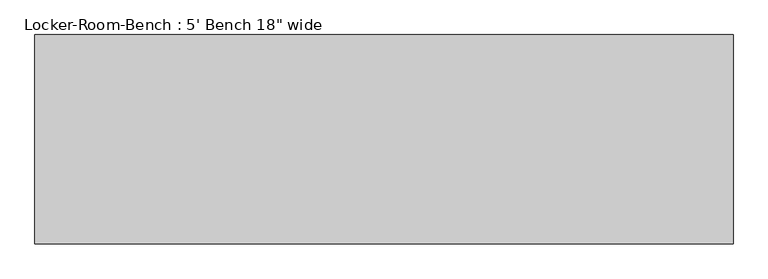
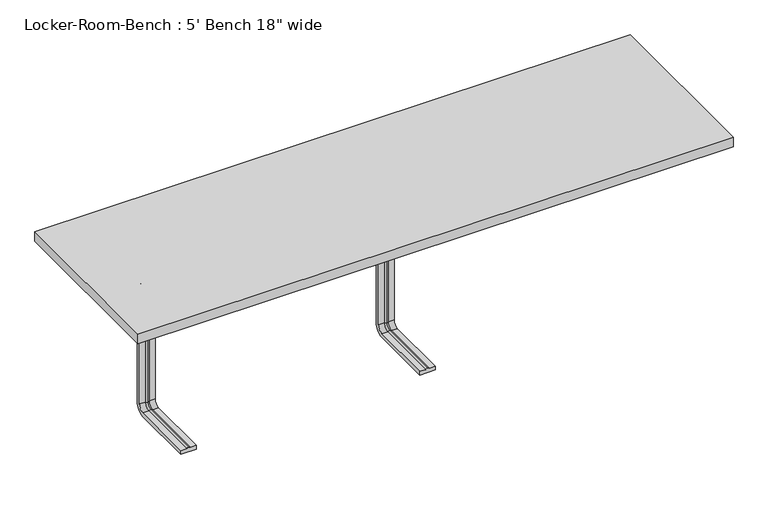
"""IFC4 building model written with IfcOpenShell, lengths in millimetres: proxy geometry."""

from ifc_helpers import new_model, si_unit, point, frame, origin, place, context, project, spatial, polyline, circle_curve, ellipse_curve, trimmed, outline, extrude, source, transform, mapped, element, save
from ifc_brep_helpers import plane_surface, cylinder_surface, revolved_surface, advanced_brep


def proxy_bfa0247f(model_context):
    return source(origin(), model_context, "Body", "SolidModel", [
        advanced_brep(
        [(-592.0, -193.6, 381.4), (-632.0, -193.6, 381.4), (-632.0, -193.6, 371.4), (-617.0, -193.6, 371.4), (-612.0, -193.6, 369.0684617), (-607.0, -193.6, 371.4), (-592.0, -193.6, 371.4), (-592.0, -25.0, 381.4), (-632.0, -25.0, 381.4), (-632.0, 0.0, 356.4), (-632.0, 0.0, 40.0), (-632.0, -25.0, 15.0), (-632.0, -193.6, 15.0), (-632.0, -193.6, 25.0), (-632.0, -25.0, 25.0), (-632.0, -10.0, 40.0), (-632.0, -10.0, 356.4), (-632.0, -25.0, 371.4), (-617.0, -25.0, 371.4), (-612.0, -25.0, 369.0684617), (-607.0, -25.0, 371.4), (-592.0, -25.0, 371.4), (-592.0, -10.0, 356.4), (-592.0, -10.0, 40.0), (-592.0, -25.0, 25.0), (-592.0, -193.6, 25.0), (-592.0, -193.6, 15.0), (-592.0, -25.0, 15.0), (-592.0, 0.0, 40.0), (-592.0, 0.0, 356.4), (-617.0, -10.0, 356.4), (-612.0, -12.3315383, 356.4), (-607.0, -10.0, 356.4), (-617.0, -10.0, 40.0), (-612.0, -12.3315383, 40.0), (-607.0, -10.0, 40.0), (-617.0, -25.0, 25.0), (-612.0, -25.0, 27.3315383), (-607.0, -25.0, 25.0), (-607.0, -193.6, 25.0), (-612.0, -193.6, 27.3315383), (-617.0, -193.6, 25.0)],
        [
            (0, 1),
            (1, 2),
            (2, 3),
            (3, 4, circle_curve(frame((-612.2996409, -193.6, 374.9529162), z_axis=(0.0, -1.0, 0.0), x_axis=(0.0, 0.0, 1.0)), 5.8920785)),
            (4, 5, circle_curve(frame((-611.7003591, -193.6, 374.9529162), z_axis=(0.0, -1.0, 0.0), x_axis=(0.0, 0.0, 1.0)), 5.8920785)),
            (5, 6),
            (6, 0),
            (0, 7),
            (7, 8),
            (8, 1),
            (8, 9, circle_curve(frame((-632.0, -25.0, 356.4), z_axis=(-1.0, 0.0, 0.0), x_axis=(0.0, 0.0, 1.0)), 25.0)),
            (9, 10),
            (10, 11, circle_curve(frame((-632.0, -25.0, 40.0), z_axis=(-1.0, 0.0, 0.0), x_axis=(0.0, 1.0, 0.0)), 25.0)),
            (11, 12),
            (12, 13),
            (13, 14),
            (14, 15, circle_curve(frame((-632.0, -25.0, 40.0), z_axis=(1.0, 0.0, 0.0), x_axis=(0.0, 1.0, 0.0)), 15.0)),
            (15, 16),
            (16, 17, circle_curve(frame((-632.0, -25.0, 356.4), z_axis=(1.0, 0.0, 0.0), x_axis=(0.0, 0.0, 1.0)), 15.0)),
            (17, 2),
            (17, 18),
            (18, 3),
            (18, 19, circle_curve(frame((-612.2996409, -25.0, 374.9529162), z_axis=(0.0, -1.0, 0.0), x_axis=(0.0, 0.0, 1.0)), 5.8920785)),
            (19, 4),
            (19, 20, circle_curve(frame((-611.7003591, -25.0, 374.9529162), z_axis=(0.0, -1.0, 0.0), x_axis=(0.0, 0.0, 1.0)), 5.8920785)),
            (20, 5),
            (20, 21),
            (21, 6),
            (21, 22, circle_curve(frame((-592.0, -25.0, 356.4), z_axis=(-1.0, 0.0, 0.0), x_axis=(0.0, 0.0, 1.0)), 15.0)),
            (22, 23),
            (23, 24, circle_curve(frame((-592.0, -25.0, 40.0), z_axis=(-1.0, 0.0, 0.0), x_axis=(0.0, 1.0, 0.0)), 15.0)),
            (24, 25),
            (25, 26),
            (26, 27),
            (27, 28, circle_curve(frame((-592.0, -25.0, 40.0), z_axis=(1.0, 0.0, 0.0), x_axis=(0.0, 1.0, 0.0)), 25.0)),
            (28, 29),
            (29, 7, circle_curve(frame((-592.0, -25.0, 356.4), z_axis=(1.0, 0.0, 0.0), x_axis=(0.0, 0.0, 1.0)), 25.0)),
            (29, 9),
            (30, 18, circle_curve(frame((-617.0, -25.0, 356.4), z_axis=(1.0, 0.0, 0.0), x_axis=(0.0, 0.0, 1.0)), 15.0)),
            (16, 30),
            (31, 19, circle_curve(frame((-612.0, -25.0, 356.4), z_axis=(1.0, 0.0, 0.0), x_axis=(0.0, 0.0, 1.0)), 12.6684617)),
            (30, 31, circle_curve(frame((-612.2996409, -6.4470838, 356.4), z_axis=(0.0, 0.0, 1.0), x_axis=(0.0, 1.0, 0.0)), 5.8920785)),
            (32, 20, circle_curve(frame((-607.0, -25.0, 356.4), z_axis=(1.0, 0.0, 0.0), x_axis=(0.0, 0.0, 1.0)), 15.0)),
            (31, 32, circle_curve(frame((-611.7003591, -6.4470838, 356.4), z_axis=(0.0, 0.0, 1.0), x_axis=(0.0, 1.0, 0.0)), 5.8920785)),
            (32, 22),
            (28, 10),
            (15, 33),
            (33, 30),
            (33, 34, circle_curve(frame((-612.2996409, -6.4470838, 40.0), z_axis=(0.0, 0.0, 1.0), x_axis=(0.0, 1.0, 0.0)), 5.8920785)),
            (34, 31),
            (34, 35, circle_curve(frame((-611.7003591, -6.4470838, 40.0), z_axis=(0.0, 0.0, 1.0), x_axis=(0.0, 1.0, 0.0)), 5.8920785)),
            (35, 32),
            (35, 23),
            (27, 11),
            (36, 33, circle_curve(frame((-617.0, -25.0, 40.0), z_axis=(1.0, 0.0, 0.0), x_axis=(0.0, 1.0, 0.0)), 15.0)),
            (14, 36),
            (37, 34, circle_curve(frame((-612.0, -25.0, 40.0), z_axis=(1.0, 0.0, 0.0), x_axis=(0.0, 1.0, 0.0)), 12.6684617)),
            (36, 37, circle_curve(frame((-612.2996409, -25.0, 21.4470838), z_axis=(0.0, 1.0, 0.0), x_axis=(0.0, 0.0, -1.0)), 5.8920785)),
            (38, 35, circle_curve(frame((-607.0, -25.0, 40.0), z_axis=(1.0, 0.0, 0.0), x_axis=(0.0, 1.0, 0.0)), 15.0)),
            (37, 38, circle_curve(frame((-611.7003591, -25.0, 21.4470838), z_axis=(0.0, 1.0, 0.0), x_axis=(0.0, 0.0, -1.0)), 5.8920785)),
            (38, 24),
            (25, 39),
            (39, 40, circle_curve(frame((-611.7003591, -193.6, 21.4470838), z_axis=(0.0, -1.0, 0.0), x_axis=(0.0, 0.0, -1.0)), 5.8920785)),
            (40, 41, circle_curve(frame((-612.2996409, -193.6, 21.4470838), z_axis=(0.0, -1.0, 0.0), x_axis=(0.0, 0.0, -1.0)), 5.8920785)),
            (41, 13),
            (12, 26),
            (41, 36),
            (40, 37),
            (39, 38),
        ],
        [
            plane_surface(frame((-612.0, -193.6, 381.4), z_axis=(0.0, -1.0, 0.0), x_axis=(1.0, 0.0, 0.0))),
            plane_surface(frame((-592.0, -193.6, 381.4), z_axis=(0.0, 0.0, 1.0), x_axis=(0.0, 1.0, 0.0))),
            plane_surface(frame((-632.0, -193.6, 381.4), z_axis=(-1.0, 0.0, 0.0), x_axis=(0.0, 1.0, 0.0))),
            plane_surface(frame((-632.0, -193.6, 371.4), z_axis=(0.0, 0.0, -1.0), x_axis=(0.0, 1.0, 0.0))),
            cylinder_surface(frame((-612.2996409, -193.6, 374.9529162), z_axis=(0.0, -1.0, 0.0), x_axis=(0.0, 0.0, 1.0)), 5.8920785),
            cylinder_surface(frame((-611.7003591, -193.6, 374.9529162), z_axis=(0.0, -1.0, 0.0), x_axis=(0.0, 0.0, 1.0)), 5.8920785),
            plane_surface(frame((-607.0, -193.6, 371.4), z_axis=(0.0, 0.0, -1.0), x_axis=(0.0, 1.0, 0.0))),
            plane_surface(frame((-592.0, -193.6, 371.4), z_axis=(1.0, 0.0, 0.0), x_axis=(0.0, 1.0, 0.0))),
            cylinder_surface(frame((-612.0, -25.0, 356.4), z_axis=(-1.0, 0.0, 0.0), x_axis=(0.0, 0.0, 1.0)), 25.0),
            revolved_surface(polyline([(-632.0, -25.0, 371.4), (-617.0, -25.0, 371.4)]), (-612.0, -25.0, 356.4), (-1.0, 0.0, 0.0)),
            revolved_surface(trimmed(ellipse_curve(frame((-612.2996409, -25.0, 374.9529162), z_axis=(0.0, -1.0, 0.0), x_axis=(0.0, 0.0, 1.0)), 5.8920785, 5.8920785), [point((-617.0, -25.0, 371.4))], [point((-612.0, -25.0, 369.0684617))], True, "CARTESIAN"), (-612.0, -25.0, 356.4), (-1.0, 0.0, 0.0)),
            revolved_surface(trimmed(ellipse_curve(frame((-611.7003591, -25.0, 374.9529162), z_axis=(0.0, -1.0, 0.0), x_axis=(0.0, 0.0, 1.0)), 5.8920785, 5.8920785), [point((-612.0, -25.0, 369.0684617))], [point((-607.0, -25.0, 371.4))], True, "CARTESIAN"), (-612.0, -25.0, 356.4), (-1.0, 0.0, 0.0)),
            revolved_surface(polyline([(-607.0, -25.0, 371.4), (-592.0, -25.0, 371.4)]), (-612.0, -25.0, 356.4), (-1.0, 0.0, 0.0)),
            plane_surface(frame((-592.0, 0.0, 356.4), z_axis=(0.0, 1.0, 0.0), x_axis=(0.0, 0.0, -1.0))),
            plane_surface(frame((-632.0, -10.0, 356.4), z_axis=(0.0, -1.0, 0.0), x_axis=(0.0, 0.0, -1.0))),
            cylinder_surface(frame((-612.2996409, -6.4470838, 356.4), z_axis=(0.0, 0.0, 1.0), x_axis=(0.0, 1.0, 0.0)), 5.8920785),
            cylinder_surface(frame((-611.7003591, -6.4470838, 356.4), z_axis=(0.0, 0.0, 1.0), x_axis=(0.0, 1.0, 0.0)), 5.8920785),
            plane_surface(frame((-607.0, -10.0, 356.4), z_axis=(0.0, -1.0, 0.0), x_axis=(0.0, 0.0, -1.0))),
            cylinder_surface(frame((-612.0, -25.0, 40.0), z_axis=(-1.0, 0.0, 0.0), x_axis=(0.0, 1.0, 0.0)), 25.0),
            revolved_surface(polyline([(-632.0, -10.0, 40.0), (-617.0, -10.0, 40.0)]), (-612.0, -25.0, 40.0), (-1.0, 0.0, 0.0)),
            revolved_surface(trimmed(ellipse_curve(frame((-612.2996409, -6.4470838, 40.0), z_axis=(0.0, 0.0, 1.0), x_axis=(0.0, 1.0, 0.0)), 5.8920785, 5.8920785), [point((-617.0, -10.0, 40.0))], [point((-612.0, -12.3315383, 40.0))], True, "CARTESIAN"), (-612.0, -25.0, 40.0), (-1.0, 0.0, 0.0)),
            revolved_surface(trimmed(ellipse_curve(frame((-611.7003591, -6.4470838, 40.0), z_axis=(0.0, 0.0, 1.0), x_axis=(0.0, 1.0, 0.0)), 5.8920785, 5.8920785), [point((-612.0, -12.3315383, 40.0))], [point((-607.0, -10.0, 40.0))], True, "CARTESIAN"), (-612.0, -25.0, 40.0), (-1.0, 0.0, 0.0)),
            revolved_surface(polyline([(-607.0, -10.0, 40.0), (-592.0, -10.0, 40.0)]), (-612.0, -25.0, 40.0), (-1.0, 0.0, 0.0)),
            plane_surface(frame((-612.0, -193.6, 15.0), z_axis=(0.0, -1.0, 0.0), x_axis=(1.0, 0.0, 0.0))),
            plane_surface(frame((-592.0, -25.0, 15.0), z_axis=(0.0, 0.0, -1.0), x_axis=(0.0, -1.0, 0.0))),
            plane_surface(frame((-632.0, -25.0, 25.0), z_axis=(0.0, 0.0, 1.0), x_axis=(0.0, -1.0, 0.0))),
            cylinder_surface(frame((-612.2996409, -25.0, 21.4470838), z_axis=(0.0, 1.0, 0.0), x_axis=(0.0, 0.0, -1.0)), 5.8920785),
            cylinder_surface(frame((-611.7003591, -25.0, 21.4470838), z_axis=(0.0, 1.0, 0.0), x_axis=(0.0, 0.0, -1.0)), 5.8920785),
            plane_surface(frame((-607.0, -25.0, 25.0), z_axis=(0.0, 0.0, 1.0), x_axis=(0.0, -1.0, 0.0))),
        ],
        [
            (0, [[1, 2, 3, 4, 5, 6, 7]]),
            (1, [[-1, 8, 9, 10]]),
            (2, [[-2, -10, 11, 12, 13, 14, 15, 16, 17, 18, 19, 20]]),
            (3, [[-3, -20, 21, 22]]),
            (4, [[-4, -22, 23, 24]]),
            (5, [[-5, -24, 25, 26]]),
            (6, [[-6, -26, 27, 28]]),
            (7, [[-7, -28, 29, 30, 31, 32, 33, 34, 35, 36, 37, -8]]),
            (8, [[-11, -9, -37, 38]]),
            (9, [[39, -21, -19, 40]]),
            (10, [[41, -23, -39, 42]]),
            (11, [[43, -25, -41, 44]]),
            (12, [[-29, -27, -43, 45]]),
            (13, [[-38, -36, 46, -12]]),
            (14, [[-40, -18, 47, 48]]),
            (15, [[-42, -48, 49, 50]]),
            (16, [[-44, -50, 51, 52]]),
            (17, [[-45, -52, 53, -30]]),
            (18, [[-13, -46, -35, 54]]),
            (19, [[55, -47, -17, 56]]),
            (20, [[57, -49, -55, 58]]),
            (21, [[59, -51, -57, 60]]),
            (22, [[-31, -53, -59, 61]]),
            (23, [[-33, 62, 63, 64, 65, -15, 66]]),
            (24, [[-54, -34, -66, -14]]),
            (25, [[-56, -16, -65, 67]]),
            (26, [[-58, -67, -64, 68]]),
            (27, [[-60, -68, -63, 69]]),
            (28, [[-61, -69, -62, -32]]),
        ],
    ),
        advanced_brep(
        [(20.0, -193.6, 381.4), (-20.0, -193.6, 381.4), (-20.0, -193.6, 371.4), (-5.0, -193.6, 371.4), (0.0, -193.6, 369.0684617), (5.0, -193.6, 371.4), (20.0, -193.6, 371.4), (20.0, -25.0, 381.4), (-20.0, -25.0, 381.4), (-20.0, 0.0, 356.4), (-20.0, 0.0, 40.0), (-20.0, -25.0, 15.0), (-20.0, -193.6, 15.0), (-20.0, -193.6, 25.0), (-20.0, -25.0, 25.0), (-20.0, -10.0, 40.0), (-20.0, -10.0, 356.4), (-20.0, -25.0, 371.4), (-5.0, -25.0, 371.4), (0.0, -25.0, 369.0684617), (5.0, -25.0, 371.4), (20.0, -25.0, 371.4), (20.0, -10.0, 356.4), (20.0, -10.0, 40.0), (20.0, -25.0, 25.0), (20.0, -193.6, 25.0), (20.0, -193.6, 15.0), (20.0, -25.0, 15.0), (20.0, 0.0, 40.0), (20.0, 0.0, 356.4), (-5.0, -10.0, 356.4), (0.0, -12.3315383, 356.4), (5.0, -10.0, 356.4), (-5.0, -10.0, 40.0), (0.0, -12.3315383, 40.0), (5.0, -10.0, 40.0), (-5.0, -25.0, 25.0), (0.0, -25.0, 27.3315383), (5.0, -25.0, 25.0), (5.0, -193.6, 25.0), (0.0, -193.6, 27.3315383), (-5.0, -193.6, 25.0)],
        [
            (0, 1),
            (1, 2),
            (2, 3),
            (3, 4, circle_curve(frame((-0.2996409, -193.6, 374.9529162), z_axis=(0.0, -1.0, 0.0), x_axis=(0.0, 0.0, 1.0)), 5.8920785)),
            (4, 5, circle_curve(frame((0.2996409, -193.6, 374.9529162), z_axis=(0.0, -1.0, 0.0), x_axis=(0.0, 0.0, 1.0)), 5.8920785)),
            (5, 6),
            (6, 0),
            (0, 7),
            (7, 8),
            (8, 1),
            (8, 9, circle_curve(frame((-20.0, -25.0, 356.4), z_axis=(-1.0, 0.0, 0.0), x_axis=(0.0, 0.0, 1.0)), 25.0)),
            (9, 10),
            (10, 11, circle_curve(frame((-20.0, -25.0, 40.0), z_axis=(-1.0, 0.0, 0.0), x_axis=(0.0, 1.0, 0.0)), 25.0)),
            (11, 12),
            (12, 13),
            (13, 14),
            (14, 15, circle_curve(frame((-20.0, -25.0, 40.0), z_axis=(1.0, 0.0, 0.0), x_axis=(0.0, 1.0, 0.0)), 15.0)),
            (15, 16),
            (16, 17, circle_curve(frame((-20.0, -25.0, 356.4), z_axis=(1.0, 0.0, 0.0), x_axis=(0.0, 0.0, 1.0)), 15.0)),
            (17, 2),
            (17, 18),
            (18, 3),
            (18, 19, circle_curve(frame((-0.2996409, -25.0, 374.9529162), z_axis=(0.0, -1.0, 0.0), x_axis=(0.0, 0.0, 1.0)), 5.8920785)),
            (19, 4),
            (19, 20, circle_curve(frame((0.2996409, -25.0, 374.9529162), z_axis=(0.0, -1.0, 0.0), x_axis=(0.0, 0.0, 1.0)), 5.8920785)),
            (20, 5),
            (20, 21),
            (21, 6),
            (21, 22, circle_curve(frame((20.0, -25.0, 356.4), z_axis=(-1.0, 0.0, 0.0), x_axis=(0.0, 0.0, 1.0)), 15.0)),
            (22, 23),
            (23, 24, circle_curve(frame((20.0, -25.0, 40.0), z_axis=(-1.0, 0.0, 0.0), x_axis=(0.0, 1.0, 0.0)), 15.0)),
            (24, 25),
            (25, 26),
            (26, 27),
            (27, 28, circle_curve(frame((20.0, -25.0, 40.0), z_axis=(1.0, 0.0, 0.0), x_axis=(0.0, 1.0, 0.0)), 25.0)),
            (28, 29),
            (29, 7, circle_curve(frame((20.0, -25.0, 356.4), z_axis=(1.0, 0.0, 0.0), x_axis=(0.0, 0.0, 1.0)), 25.0)),
            (29, 9),
            (30, 18, circle_curve(frame((-5.0, -25.0, 356.4), z_axis=(1.0, 0.0, 0.0), x_axis=(0.0, 0.0, 1.0)), 15.0)),
            (16, 30),
            (31, 19, circle_curve(frame((0.0, -25.0, 356.4), z_axis=(1.0, 0.0, 0.0), x_axis=(0.0, 0.0, 1.0)), 12.6684617)),
            (30, 31, circle_curve(frame((-0.2996409, -6.4470838, 356.4), z_axis=(0.0, 0.0, 1.0), x_axis=(0.0, 1.0, 0.0)), 5.8920785)),
            (32, 20, circle_curve(frame((5.0, -25.0, 356.4), z_axis=(1.0, 0.0, 0.0), x_axis=(0.0, 0.0, 1.0)), 15.0)),
            (31, 32, circle_curve(frame((0.2996409, -6.4470838, 356.4), z_axis=(0.0, 0.0, 1.0), x_axis=(0.0, 1.0, 0.0)), 5.8920785)),
            (32, 22),
            (28, 10),
            (15, 33),
            (33, 30),
            (33, 34, circle_curve(frame((-0.2996409, -6.4470838, 40.0), z_axis=(0.0, 0.0, 1.0), x_axis=(0.0, 1.0, 0.0)), 5.8920785)),
            (34, 31),
            (34, 35, circle_curve(frame((0.2996409, -6.4470838, 40.0), z_axis=(0.0, 0.0, 1.0), x_axis=(0.0, 1.0, 0.0)), 5.8920785)),
            (35, 32),
            (35, 23),
            (27, 11),
            (36, 33, circle_curve(frame((-5.0, -25.0, 40.0), z_axis=(1.0, 0.0, 0.0), x_axis=(0.0, 1.0, 0.0)), 15.0)),
            (14, 36),
            (37, 34, circle_curve(frame((0.0, -25.0, 40.0), z_axis=(1.0, 0.0, 0.0), x_axis=(0.0, 1.0, 0.0)), 12.6684617)),
            (36, 37, circle_curve(frame((-0.2996409, -25.0, 21.4470838), z_axis=(0.0, 1.0, 0.0), x_axis=(0.0, 0.0, -1.0)), 5.8920785)),
            (38, 35, circle_curve(frame((5.0, -25.0, 40.0), z_axis=(1.0, 0.0, 0.0), x_axis=(0.0, 1.0, 0.0)), 15.0)),
            (37, 38, circle_curve(frame((0.2996409, -25.0, 21.4470838), z_axis=(0.0, 1.0, 0.0), x_axis=(0.0, 0.0, -1.0)), 5.8920785)),
            (38, 24),
            (25, 39),
            (39, 40, circle_curve(frame((0.2996409, -193.6, 21.4470838), z_axis=(0.0, -1.0, 0.0), x_axis=(0.0, 0.0, -1.0)), 5.8920785)),
            (40, 41, circle_curve(frame((-0.2996409, -193.6, 21.4470838), z_axis=(0.0, -1.0, 0.0), x_axis=(0.0, 0.0, -1.0)), 5.8920785)),
            (41, 13),
            (12, 26),
            (41, 36),
            (40, 37),
            (39, 38),
        ],
        [
            plane_surface(frame((0.0, -193.6, 381.4), z_axis=(0.0, -1.0, 0.0), x_axis=(1.0, 0.0, 0.0))),
            plane_surface(frame((20.0, -193.6, 381.4), z_axis=(0.0, 0.0, 1.0), x_axis=(0.0, 1.0, 0.0))),
            plane_surface(frame((-20.0, -193.6, 381.4), z_axis=(-1.0, 0.0, 0.0), x_axis=(0.0, 1.0, 0.0))),
            plane_surface(frame((-20.0, -193.6, 371.4), z_axis=(0.0, 0.0, -1.0), x_axis=(0.0, 1.0, 0.0))),
            cylinder_surface(frame((-0.2996409, -193.6, 374.9529162), z_axis=(0.0, -1.0, 0.0), x_axis=(0.0, 0.0, 1.0)), 5.8920785),
            cylinder_surface(frame((0.2996409, -193.6, 374.9529162), z_axis=(0.0, -1.0, 0.0), x_axis=(0.0, 0.0, 1.0)), 5.8920785),
            plane_surface(frame((5.0, -193.6, 371.4), z_axis=(0.0, 0.0, -1.0), x_axis=(0.0, 1.0, 0.0))),
            plane_surface(frame((20.0, -193.6, 371.4), z_axis=(1.0, 0.0, 0.0), x_axis=(0.0, 1.0, 0.0))),
            cylinder_surface(frame((0.0, -25.0, 356.4), z_axis=(-1.0, 0.0, 0.0), x_axis=(0.0, 0.0, 1.0)), 25.0),
            revolved_surface(polyline([(-20.0, -25.0, 371.4), (-5.0, -25.0, 371.4)]), (0.0, -25.0, 356.4), (-1.0, 0.0, 0.0)),
            revolved_surface(trimmed(ellipse_curve(frame((-0.2996409, -25.0, 374.9529162), z_axis=(0.0, -1.0, 0.0), x_axis=(0.0, 0.0, 1.0)), 5.8920785, 5.8920785), [point((-5.0, -25.0, 371.4))], [point((0.0, -25.0, 369.0684617))], True, "CARTESIAN"), (0.0, -25.0, 356.4), (-1.0, 0.0, 0.0)),
            revolved_surface(trimmed(ellipse_curve(frame((0.2996409, -25.0, 374.9529162), z_axis=(0.0, -1.0, 0.0), x_axis=(0.0, 0.0, 1.0)), 5.8920785, 5.8920785), [point((0.0, -25.0, 369.0684617))], [point((5.0, -25.0, 371.4))], True, "CARTESIAN"), (0.0, -25.0, 356.4), (-1.0, 0.0, 0.0)),
            revolved_surface(polyline([(5.0, -25.0, 371.4), (20.0, -25.0, 371.4)]), (0.0, -25.0, 356.4), (-1.0, 0.0, 0.0)),
            plane_surface(frame((20.0, 0.0, 356.4), z_axis=(0.0, 1.0, 0.0), x_axis=(0.0, 0.0, -1.0))),
            plane_surface(frame((-20.0, -10.0, 356.4), z_axis=(0.0, -1.0, 0.0), x_axis=(0.0, 0.0, -1.0))),
            cylinder_surface(frame((-0.2996409, -6.4470838, 356.4), z_axis=(0.0, 0.0, 1.0), x_axis=(0.0, 1.0, 0.0)), 5.8920785),
            cylinder_surface(frame((0.2996409, -6.4470838, 356.4), z_axis=(0.0, 0.0, 1.0), x_axis=(0.0, 1.0, 0.0)), 5.8920785),
            plane_surface(frame((5.0, -10.0, 356.4), z_axis=(0.0, -1.0, 0.0), x_axis=(0.0, 0.0, -1.0))),
            cylinder_surface(frame((0.0, -25.0, 40.0), z_axis=(-1.0, 0.0, 0.0), x_axis=(0.0, 1.0, 0.0)), 25.0),
            revolved_surface(polyline([(-20.0, -10.0, 40.0), (-5.0, -10.0, 40.0)]), (0.0, -25.0, 40.0), (-1.0, 0.0, 0.0)),
            revolved_surface(trimmed(ellipse_curve(frame((-0.2996409, -6.4470838, 40.0), z_axis=(0.0, 0.0, 1.0), x_axis=(0.0, 1.0, 0.0)), 5.8920785, 5.8920785), [point((-5.0, -10.0, 40.0))], [point((0.0, -12.3315383, 40.0))], True, "CARTESIAN"), (0.0, -25.0, 40.0), (-1.0, 0.0, 0.0)),
            revolved_surface(trimmed(ellipse_curve(frame((0.2996409, -6.4470838, 40.0), z_axis=(0.0, 0.0, 1.0), x_axis=(0.0, 1.0, 0.0)), 5.8920785, 5.8920785), [point((0.0, -12.3315383, 40.0))], [point((5.0, -10.0, 40.0))], True, "CARTESIAN"), (0.0, -25.0, 40.0), (-1.0, 0.0, 0.0)),
            revolved_surface(polyline([(5.0, -10.0, 40.0), (20.0, -10.0, 40.0)]), (0.0, -25.0, 40.0), (-1.0, 0.0, 0.0)),
            plane_surface(frame((0.0, -193.6, 15.0), z_axis=(0.0, -1.0, 0.0), x_axis=(1.0, 0.0, 0.0))),
            plane_surface(frame((20.0, -25.0, 15.0), z_axis=(0.0, 0.0, -1.0), x_axis=(0.0, -1.0, 0.0))),
            plane_surface(frame((-20.0, -25.0, 25.0), z_axis=(0.0, 0.0, 1.0), x_axis=(0.0, -1.0, 0.0))),
            cylinder_surface(frame((-0.2996409, -25.0, 21.4470838), z_axis=(0.0, 1.0, 0.0), x_axis=(0.0, 0.0, -1.0)), 5.8920785),
            cylinder_surface(frame((0.2996409, -25.0, 21.4470838), z_axis=(0.0, 1.0, 0.0), x_axis=(0.0, 0.0, -1.0)), 5.8920785),
            plane_surface(frame((5.0, -25.0, 25.0), z_axis=(0.0, 0.0, 1.0), x_axis=(0.0, -1.0, 0.0))),
        ],
        [
            (0, [[1, 2, 3, 4, 5, 6, 7]]),
            (1, [[-1, 8, 9, 10]]),
            (2, [[-2, -10, 11, 12, 13, 14, 15, 16, 17, 18, 19, 20]]),
            (3, [[-3, -20, 21, 22]]),
            (4, [[-4, -22, 23, 24]]),
            (5, [[-5, -24, 25, 26]]),
            (6, [[-6, -26, 27, 28]]),
            (7, [[-7, -28, 29, 30, 31, 32, 33, 34, 35, 36, 37, -8]]),
            (8, [[-11, -9, -37, 38]]),
            (9, [[39, -21, -19, 40]]),
            (10, [[41, -23, -39, 42]]),
            (11, [[43, -25, -41, 44]]),
            (12, [[-29, -27, -43, 45]]),
            (13, [[-38, -36, 46, -12]]),
            (14, [[-40, -18, 47, 48]]),
            (15, [[-42, -48, 49, 50]]),
            (16, [[-44, -50, 51, 52]]),
            (17, [[-45, -52, 53, -30]]),
            (18, [[-13, -46, -35, 54]]),
            (19, [[55, -47, -17, 56]]),
            (20, [[57, -49, -55, 58]]),
            (21, [[59, -51, -57, 60]]),
            (22, [[-31, -53, -59, 61]]),
            (23, [[-33, 62, 63, 64, 65, -15, 66]]),
            (24, [[-54, -34, -66, -14]]),
            (25, [[-56, -16, -65, 67]]),
            (26, [[-58, -67, -64, 68]]),
            (27, [[-60, -68, -63, 69]]),
            (28, [[-61, -69, -62, -32]]),
        ],
    ),
        extrude(outline(polyline([(762.0, 228.6), (762.0, -228.6), (-762.0, -228.6), (-762.0, 228.6), (762.0, 228.6)])), frame((0.0, 0.0, 381.4), z_axis=(0.0, 0.0, 1.0), x_axis=(1.0, 0.0, 0.0)), (0.0, 0.0, 1.0), 25.0),
    ])


if __name__ == "__main__":
    model = new_model("IFC4")
    model_context = context("Model", 3, world=origin())
    ifc_project = project(units=[si_unit("LENGTHUNIT", "METRE", prefix="MILLI")], contexts=[model_context])
    site = spatial("IfcSite", under=ifc_project)
    building = spatial("IfcBuilding", under=site)
    placement = place(None, origin())
    proxy_shape = proxy_bfa0247f(model_context)
    element("IfcBuildingElementProxy", 1, Name="Locker-Room-Bench : 5' Bench 18\" wide", ObjectType="Locker-Room-Bench : 5' Bench 18\" wide", at=placement, inside=building, context=model_context, shape_type="MappedRepresentation", body=[
        mapped(proxy_shape, transform((0.0, 0.0, 0.0), x_axis=(1.0, 0.0, 0.0), y_axis=(0.0, 1.0, 0.0), z_axis=(0.0, 0.0, 1.0))),
    ])
    save(model, "model.ifc")
